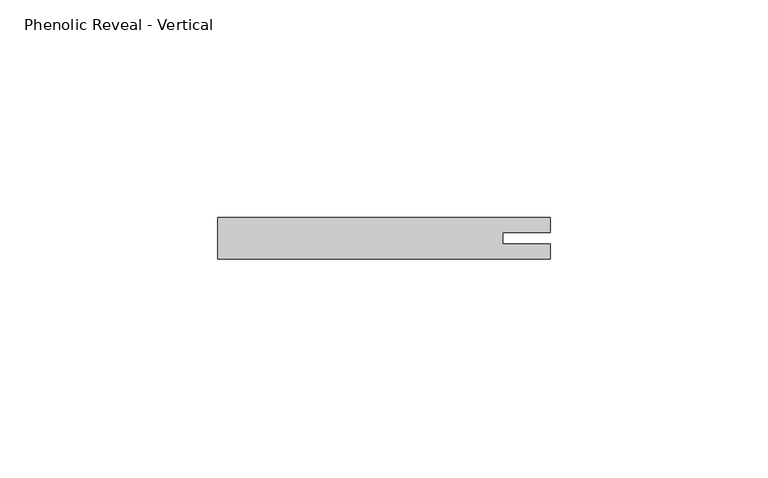
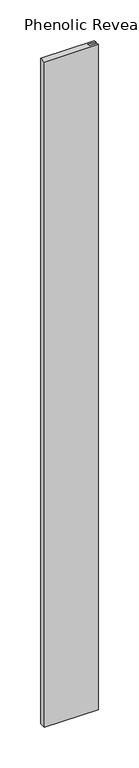
"""IFC4 building model written with IfcOpenShell, lengths in millimetres: proxy geometry, Phenolic Reveal - Vertical."""

import ifcopenshell
import ifcopenshell.guid

model = None  # the IFC model being written
_history = None  # IfcOwnerHistory: only IFC2X3 demands one
_inside = {}  # id of a spatial element -> (the spatial element, [elements in it])
_under = {}  # id of a project, library or spatial element -> (it, [spatial elements below it])
_declared = {}  # id of a project -> (the project, [libraries it declares])
_typed = {}  # id of a type object -> (the type object, [elements of that type])
_made_of = {}  # id of a material, layer set ... -> (it, [elements and type objects made of it])


def new_model(schema):
    """Start an empty IFC model of exactly this schema.

    Asked for "IFC4X3", IfcOpenShell would pick the latest addendum, in which some entities
    have other attributes; the version numbers below select the first issue.
    IFC2X3 requires an IfcOwnerHistory on every rooted entity: one is made here for all.
    """
    global model, _history
    if schema == "IFC4X3":
        model = ifcopenshell.file(schema_version=(4, 3, 0, 0))
    else:
        model = ifcopenshell.file(schema=schema)
    _inside.clear()
    _under.clear()
    _declared.clear()
    _typed.clear()
    _made_of.clear()
    _history = None
    if model.schema == "IFC2X3":
        org = make("IfcOrganization", Name="unknown")
        user = make(
            "IfcPersonAndOrganization",
            ThePerson=make("IfcPerson", FamilyName="unknown"),
            TheOrganization=org,
        )
        app = make(
            "IfcApplication",
            ApplicationDeveloper=org,
            Version="unknown",
            ApplicationFullName="unknown",
            ApplicationIdentifier="unknown",
        )
        _history = make(
            "IfcOwnerHistory",
            OwningUser=user,
            OwningApplication=app,
            ChangeAction="ADDED",
            CreationDate=0,
        )
    return model


def make(cls, **values):
    """One entity of the class cls with the attributes given. An attribute that is None is left unset."""
    return model.create_entity(
        cls, **{name: value for name, value in values.items() if value is not None}
    )


def rooted(cls, **values):
    """An entity with a GlobalId (a new one), such as an element, a storey or a relation."""
    return make(cls, GlobalId=ifcopenshell.guid.new(), OwnerHistory=_history, **values)


def si_unit(unit_type, name, prefix=None):
    """IfcSIUnit, for example si_unit("LENGTHUNIT", "METRE", prefix="MILLI")."""
    return make("IfcSIUnit", UnitType=unit_type, Prefix=prefix, Name=name)


def assignment(units):
    """IfcUnitAssignment: the units of a project."""
    return None if units is None else make("IfcUnitAssignment", Units=units)


def point(xyz):
    """IfcCartesianPoint."""
    return None if xyz is None else make("IfcCartesianPoint", Coordinates=xyz)


def direction(xyz):
    """IfcDirection."""
    return None if xyz is None else make("IfcDirection", DirectionRatios=xyz)


def frame(location, z_axis=None, x_axis=None):
    """IfcAxis2Placement3D, a coordinate frame: its origin and axes. An axis left out is left unset."""
    return make(
        "IfcAxis2Placement3D",
        Location=point(location),
        Axis=direction(z_axis),
        RefDirection=direction(x_axis),
    )


def origin():
    """The frame at (0, 0, 0) with its axes left unset."""
    return frame((0.0, 0.0, 0.0))


def origin_with_axes():
    """The frame at (0, 0, 0) with the z axis (0, 0, 1) and the x axis (1, 0, 0) written out."""
    return frame((0.0, 0.0, 0.0), z_axis=(0.0, 0.0, 1.0), x_axis=(1.0, 0.0, 0.0))


def place(relative_to, where):
    """IfcLocalPlacement: puts the frame where relative to a parent placement (None: the world)."""
    return make(
        "IfcLocalPlacement", PlacementRelTo=relative_to, RelativePlacement=where
    )


def context(
    kind, dimensions, precision=None, world=None, true_north=None, identifier=None
):
    """IfcGeometricRepresentationContext, for example the 3D "Model" context."""
    return make(
        "IfcGeometricRepresentationContext",
        ContextIdentifier=identifier,
        ContextType=kind,
        CoordinateSpaceDimension=dimensions,
        Precision=precision,
        WorldCoordinateSystem=world,
        TrueNorth=true_north,
    )


def project(units=None, contexts=None):
    """IfcProject with its units and contexts."""
    return rooted(
        "IfcProject",
        Name="project",
        RepresentationContexts=contexts,
        UnitsInContext=assignment(units),
    )


def spatial(cls, under=None, at=None, **own):
    """A site, building, storey or space (cls), placed at a placement, below another one or the project."""
    s = rooted(cls, ObjectPlacement=at, **own)
    if under is not None:
        _under.setdefault(under.id(), (under, []))[1].append(s)
    return s


def polyline(points):
    """IfcPolyline through the points."""
    return make("IfcPolyline", Points=[point(p) for p in points])


def outline(outer, holes=None, kind="AREA"):
    """IfcArbitraryClosedProfileDef: a profile drawn as a closed curve; with holes, ...WithVoids."""
    if holes is None:
        return make("IfcArbitraryClosedProfileDef", ProfileType=kind, OuterCurve=outer)
    return make(
        "IfcArbitraryProfileDefWithVoids",
        ProfileType=kind,
        OuterCurve=outer,
        InnerCurves=holes,
    )


def extrude(swept, where, along, depth):
    """IfcExtrudedAreaSolid: the profile swept, set in the frame where, extruded along a direction by depth."""
    return make(
        "IfcExtrudedAreaSolid",
        SweptArea=swept,
        Position=where,
        ExtrudedDirection=direction(along),
        Depth=depth,
    )


def shape(context_of_items, identifier, shape_type, items):
    """IfcShapeRepresentation: the items that make up one representation, for example the "Body"."""
    return make(
        "IfcShapeRepresentation",
        ContextOfItems=context_of_items,
        RepresentationIdentifier=identifier,
        RepresentationType=shape_type,
        Items=items,
    )


def source(mapping_origin, context_of_items, identifier, shape_type, items):
    """IfcRepresentationMap: a shape defined once, which mapped items show again and again."""
    return make(
        "IfcRepresentationMap",
        MappingOrigin=mapping_origin,
        MappedRepresentation=shape(context_of_items, identifier, shape_type, items),
    )


def transform(
    local_origin,
    x_axis=None,
    y_axis=None,
    z_axis=None,
    scale=None,
    scale2=None,
    scale3=None,
    uniform=True,
):
    """IfcCartesianTransformationOperator3D, or its non-uniform kind. x_axis, y_axis, z_axis: its Axis1, 2, 3."""
    if uniform:
        return make(
            "IfcCartesianTransformationOperator3D",
            Axis1=direction(x_axis),
            Axis2=direction(y_axis),
            LocalOrigin=point(local_origin),
            Scale=scale,
            Axis3=direction(z_axis),
        )
    return make(
        "IfcCartesianTransformationOperator3DnonUniform",
        Axis1=direction(x_axis),
        Axis2=direction(y_axis),
        LocalOrigin=point(local_origin),
        Scale=scale,
        Axis3=direction(z_axis),
        Scale2=scale2,
        Scale3=scale3,
    )


def mapped(mapping_source, mapping_target):
    """IfcMappedItem: shows the shape of a source again, moved by a transform."""
    return make(
        "IfcMappedItem", MappingSource=mapping_source, MappingTarget=mapping_target
    )


def made_of(thing, what):
    """Note that an element or type object is made of a material, layer set ...; save() writes the relation."""
    if what is not None:
        _made_of.setdefault(what.id(), (what, []))[1].append(thing)
    return thing


def element(
    cls,
    number,
    at=None,
    inside=None,
    cuts=None,
    type_object=None,
    material=None,
    context=None,
    identifier="Body",
    shape_type=None,
    held_by="IfcProductDefinitionShape",
    body=None,
    shapes=None,
    **own,
):
    """One element of the class cls, such as IfcWall. Its Tag is "e" and its number.

    at: its placement. inside: the storey or other place that contains it. cuts: it is an
    opening in that element (IfcRelVoidsElement). A single representation is given by context,
    identifier, shape_type and body (its items); several are given by shapes. held_by: the class
    of the entity that holds the representations. save() writes the other relations.
    """
    e = rooted(cls, Tag="e%d" % number, ObjectPlacement=at, **own)
    if body is not None:
        shapes = [shape(context, identifier, shape_type, body)]
    if shapes is not None:
        e.Representation = make(held_by, Representations=shapes)
    if inside is not None:
        _inside.setdefault(inside.id(), (inside, []))[1].append(e)
    if cuts is not None:
        rooted(
            "IfcRelVoidsElement", RelatingBuildingElement=cuts, RelatedOpeningElement=e
        )
    if type_object is not None:
        _typed.setdefault(type_object.id(), (type_object, []))[1].append(e)
    return made_of(e, material)


def aggregate(whole, parts):
    """IfcRelAggregates: a whole, such as a stair, and the parts it consists of."""
    return rooted("IfcRelAggregates", RelatingObject=whole, RelatedObjects=parts)


def save(model, path):
    """Write the relations noted so far, then the file.

    IfcRelAggregates (storeys below a building ...), IfcRelContainedInSpatialStructure (elements
    in a storey), IfcRelDefinesByType, IfcRelAssociatesMaterial and IfcRelDeclares: one each for
    every whole, place, type object, material and project.
    """
    for whole, parts in _under.values():
        aggregate(whole, parts)
    for where, things in _inside.values():
        rooted(
            "IfcRelContainedInSpatialStructure",
            RelatedElements=things,
            RelatingStructure=where,
        )
    for kind, things in _typed.values():
        rooted("IfcRelDefinesByType", RelatedObjects=things, RelatingType=kind)
    for what, things in _made_of.values():
        rooted("IfcRelAssociatesMaterial", RelatedObjects=things, RelatingMaterial=what)
    for by, libraries in _declared.values():
        rooted("IfcRelDeclares", RelatingContext=by, RelatedDefinitions=libraries)
    model.write(path)


def phenolic_reveal_vertical_f7cd86ac(model_context):
    return source(origin(), model_context, "Body", "SweptSolid", [
        extrude(outline(polyline([(76.2, -9.525), (0.0, -9.525), (0.0, 0.0), (76.2, 0.0), (76.2, -3.3757545), (65.3591015, -3.3757545), (65.3591015, -6.0765851), (76.2, -6.0765851), (76.2, -9.525)])), origin_with_axes(), (0.0, 0.0, 1.0), 1000.125),
    ])


if __name__ == "__main__":
    model = new_model("IFC4")
    model_context = context("Model", 3, world=origin())
    ifc_project = project(units=[si_unit("LENGTHUNIT", "METRE", prefix="MILLI")], contexts=[model_context])
    site = spatial("IfcSite", under=ifc_project)
    building = spatial("IfcBuilding", under=site)
    placement = place(None, origin())
    phenolic_reveal_vertical_shape = phenolic_reveal_vertical_f7cd86ac(model_context)
    element("IfcBuildingElementProxy", 1, Name="Phenolic Reveal - Vertical", ObjectType="Phenolic Reveal - Vertical", at=placement, inside=building, context=model_context, shape_type="MappedRepresentation", body=[
        mapped(phenolic_reveal_vertical_shape, transform((0.0, 0.0, 0.0), x_axis=(1.0, 0.0, 0.0), y_axis=(0.0, 1.0, 0.0), z_axis=(0.0, 0.0, 1.0))),
    ])
    save(model, "model.ifc")
